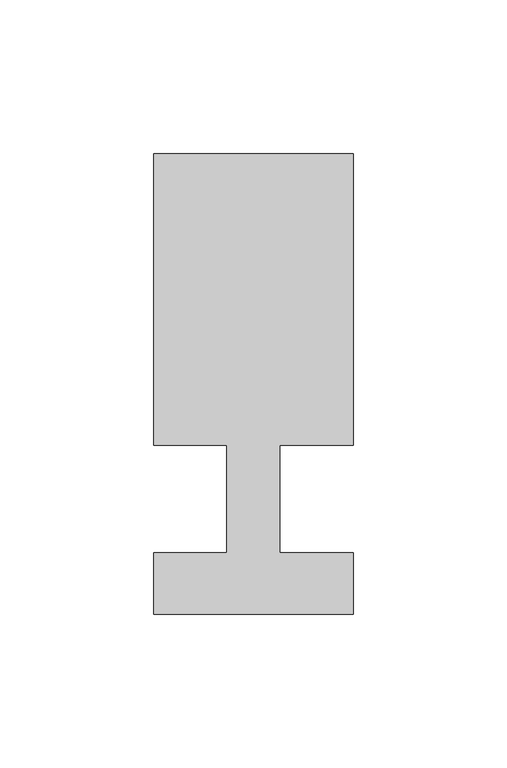
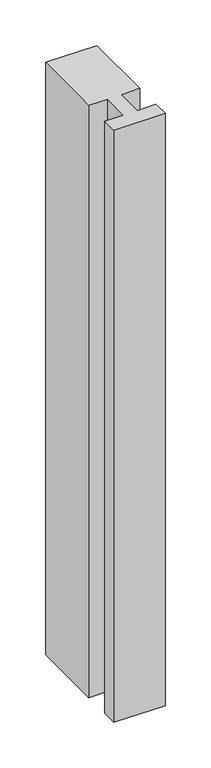
"""IFC4 building model written with IfcOpenShell, lengths in millimetres: member geometry."""

from ifc_helpers import new_model, si_unit, frame, origin, place, context, project, spatial, polyline, outline, extrude, source, transform, mapped, element, save


def member_702b8dc4(model_context):
    return source(origin(), model_context, "Body", "SweptSolid", [
        extrude(outline(polyline([(0.0, -37.0), (-65.0, -37.0), (-65.0, -17.0), (-41.1875, -17.0), (-41.1875, 18.0), (-65.0, 18.0), (-65.0, 113.0), (0.0, 113.0), (0.0, 18.0), (-23.8125, 18.0), (-23.8125, -17.0), (0.0, -17.0), (0.0, -37.0)])), frame((0.0, 0.0, -794.1666667), z_axis=(0.0, 0.0, 1.0), x_axis=(1.0, 0.0, 0.0)), (0.0, 0.0, 1.0), 794.1666667),
    ])


if __name__ == "__main__":
    model = new_model("IFC4")
    model_context = context("Model", 3, world=origin())
    ifc_project = project(units=[si_unit("LENGTHUNIT", "METRE", prefix="MILLI")], contexts=[model_context])
    site = spatial("IfcSite", under=ifc_project)
    building = spatial("IfcBuilding", under=site)
    placement = place(None, origin())
    member_shape = member_702b8dc4(model_context)
    element("IfcMember", 1, at=placement, inside=building, context=model_context, shape_type="MappedRepresentation", body=[
        mapped(member_shape, transform((0.0, 0.0, 0.0), x_axis=(1.0, 0.0, 0.0), y_axis=(0.0, 1.0, 0.0), z_axis=(0.0, 0.0, 1.0))),
    ])
    save(model, "model.ifc")
